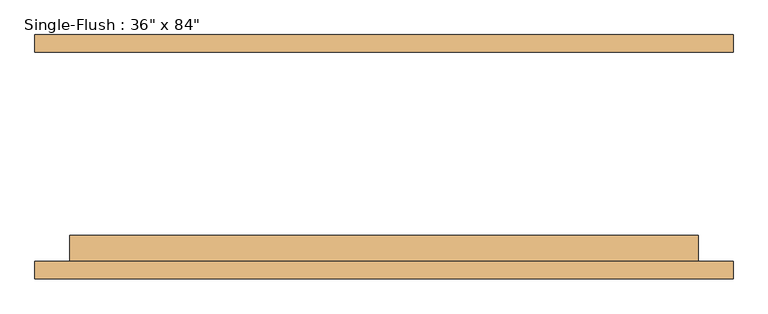
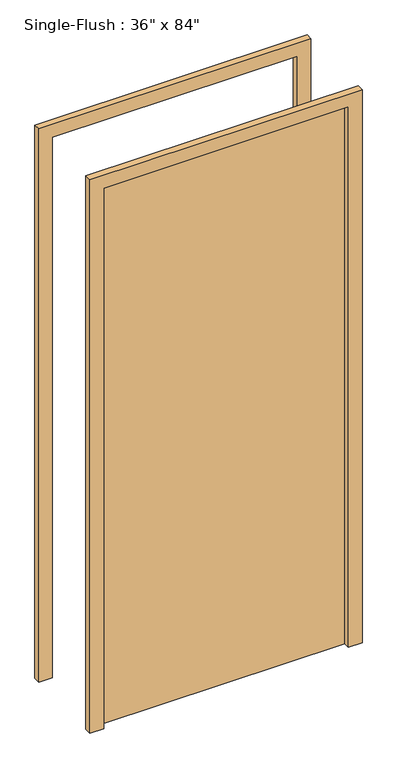
"""IFC4 building model written with IfcOpenShell, lengths in millimetres: door geometry."""

from ifc_helpers import new_model, si_unit, frame, origin, origin_with_axes, place, context, project, spatial, polyline, outline, extrude, source, transform, mapped, element, save


def door_dae4cc89(model_context):
    return source(origin(), model_context, "Body", "SweptSolid", [
        extrude(outline(polyline([(457.2, -114.3), (457.2, -152.4), (-457.2, -152.4), (-457.2, -114.3), (457.2, -114.3)])), origin_with_axes(), (0.0, 0.0, 1.0), 2133.6),
        extrude(outline(polyline([(2184.4, -508.0), (0.0, -508.0), (0.0, -457.2), (2133.6, -457.2), (2133.6, 457.2), (0.0, 457.2), (0.0, 508.0), (2184.4, 508.0), (2184.4, -508.0)])), frame((0.0, -177.8, 0.0), z_axis=(0.0, 1.0, 0.0), x_axis=(0.0, 0.0, 1.0)), (0.0, 0.0, 1.0), 25.4),
        extrude(outline(polyline([(2184.4, 508.0), (2184.4, -508.0), (0.0, -508.0), (0.0, -457.2), (2133.6, -457.2), (2133.6, 457.2), (0.0, 457.2), (0.0, 508.0), (2184.4, 508.0)])), frame((0.0, 152.4, 0.0), z_axis=(0.0, 1.0, 0.0), x_axis=(0.0, 0.0, 1.0)), (0.0, 0.0, 1.0), 25.4),
    ])


if __name__ == "__main__":
    model = new_model("IFC4")
    model_context = context("Model", 3, world=origin())
    ifc_project = project(units=[si_unit("LENGTHUNIT", "METRE", prefix="MILLI")], contexts=[model_context])
    site = spatial("IfcSite", under=ifc_project)
    building = spatial("IfcBuilding", under=site)
    placement = place(None, origin())
    door_shape = door_dae4cc89(model_context)
    element("IfcDoor", 1, ObjectType="Single-Flush : 36\" x 84\"", at=placement, inside=building, context=model_context, shape_type="MappedRepresentation", body=[
        mapped(door_shape, transform((0.0, 0.0, 0.0), x_axis=(1.0, 0.0, 0.0), y_axis=(0.0, 1.0, 0.0), z_axis=(0.0, 0.0, 1.0))),
    ])
    save(model, "model.ifc")
